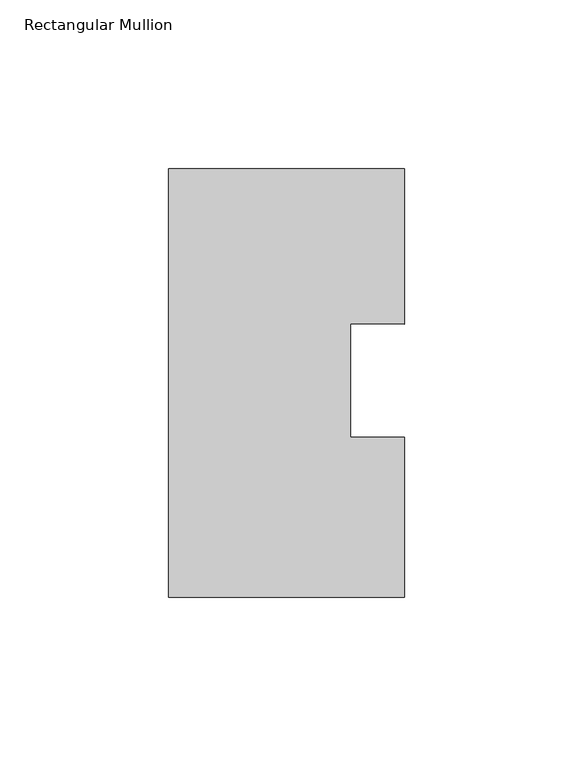
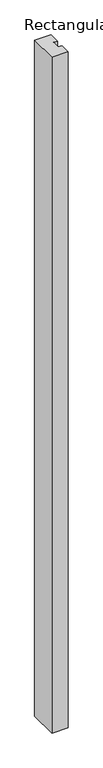
"""IFC4 building model written with IfcOpenShell, lengths in millimetres: member geometry, Rectangular Mullion."""

import ifcopenshell
import ifcopenshell.guid

model = None  # the IFC model being written
_history = None  # IfcOwnerHistory: only IFC2X3 demands one
_inside = {}  # id of a spatial element -> (the spatial element, [elements in it])
_under = {}  # id of a project, library or spatial element -> (it, [spatial elements below it])
_declared = {}  # id of a project -> (the project, [libraries it declares])
_typed = {}  # id of a type object -> (the type object, [elements of that type])
_made_of = {}  # id of a material, layer set ... -> (it, [elements and type objects made of it])


def new_model(schema):
    """Start an empty IFC model of exactly this schema.

    Asked for "IFC4X3", IfcOpenShell would pick the latest addendum, in which some entities
    have other attributes; the version numbers below select the first issue.
    IFC2X3 requires an IfcOwnerHistory on every rooted entity: one is made here for all.
    """
    global model, _history
    if schema == "IFC4X3":
        model = ifcopenshell.file(schema_version=(4, 3, 0, 0))
    else:
        model = ifcopenshell.file(schema=schema)
    _inside.clear()
    _under.clear()
    _declared.clear()
    _typed.clear()
    _made_of.clear()
    _history = None
    if model.schema == "IFC2X3":
        org = make("IfcOrganization", Name="unknown")
        user = make(
            "IfcPersonAndOrganization",
            ThePerson=make("IfcPerson", FamilyName="unknown"),
            TheOrganization=org,
        )
        app = make(
            "IfcApplication",
            ApplicationDeveloper=org,
            Version="unknown",
            ApplicationFullName="unknown",
            ApplicationIdentifier="unknown",
        )
        _history = make(
            "IfcOwnerHistory",
            OwningUser=user,
            OwningApplication=app,
            ChangeAction="ADDED",
            CreationDate=0,
        )
    return model


def make(cls, **values):
    """One entity of the class cls with the attributes given. An attribute that is None is left unset."""
    return model.create_entity(
        cls, **{name: value for name, value in values.items() if value is not None}
    )


def rooted(cls, **values):
    """An entity with a GlobalId (a new one), such as an element, a storey or a relation."""
    return make(cls, GlobalId=ifcopenshell.guid.new(), OwnerHistory=_history, **values)


def si_unit(unit_type, name, prefix=None):
    """IfcSIUnit, for example si_unit("LENGTHUNIT", "METRE", prefix="MILLI")."""
    return make("IfcSIUnit", UnitType=unit_type, Prefix=prefix, Name=name)


def assignment(units):
    """IfcUnitAssignment: the units of a project."""
    return None if units is None else make("IfcUnitAssignment", Units=units)


def point(xyz):
    """IfcCartesianPoint."""
    return None if xyz is None else make("IfcCartesianPoint", Coordinates=xyz)


def direction(xyz):
    """IfcDirection."""
    return None if xyz is None else make("IfcDirection", DirectionRatios=xyz)


def frame(location, z_axis=None, x_axis=None):
    """IfcAxis2Placement3D, a coordinate frame: its origin and axes. An axis left out is left unset."""
    return make(
        "IfcAxis2Placement3D",
        Location=point(location),
        Axis=direction(z_axis),
        RefDirection=direction(x_axis),
    )


def origin():
    """The frame at (0, 0, 0) with its axes left unset."""
    return frame((0.0, 0.0, 0.0))


def place(relative_to, where):
    """IfcLocalPlacement: puts the frame where relative to a parent placement (None: the world)."""
    return make(
        "IfcLocalPlacement", PlacementRelTo=relative_to, RelativePlacement=where
    )


def context(
    kind, dimensions, precision=None, world=None, true_north=None, identifier=None
):
    """IfcGeometricRepresentationContext, for example the 3D "Model" context."""
    return make(
        "IfcGeometricRepresentationContext",
        ContextIdentifier=identifier,
        ContextType=kind,
        CoordinateSpaceDimension=dimensions,
        Precision=precision,
        WorldCoordinateSystem=world,
        TrueNorth=true_north,
    )


def project(units=None, contexts=None):
    """IfcProject with its units and contexts."""
    return rooted(
        "IfcProject",
        Name="project",
        RepresentationContexts=contexts,
        UnitsInContext=assignment(units),
    )


def spatial(cls, under=None, at=None, **own):
    """A site, building, storey or space (cls), placed at a placement, below another one or the project."""
    s = rooted(cls, ObjectPlacement=at, **own)
    if under is not None:
        _under.setdefault(under.id(), (under, []))[1].append(s)
    return s


def polyline(points):
    """IfcPolyline through the points."""
    return make("IfcPolyline", Points=[point(p) for p in points])


def outline(outer, holes=None, kind="AREA"):
    """IfcArbitraryClosedProfileDef: a profile drawn as a closed curve; with holes, ...WithVoids."""
    if holes is None:
        return make("IfcArbitraryClosedProfileDef", ProfileType=kind, OuterCurve=outer)
    return make(
        "IfcArbitraryProfileDefWithVoids",
        ProfileType=kind,
        OuterCurve=outer,
        InnerCurves=holes,
    )


def extrude(swept, where, along, depth):
    """IfcExtrudedAreaSolid: the profile swept, set in the frame where, extruded along a direction by depth."""
    return make(
        "IfcExtrudedAreaSolid",
        SweptArea=swept,
        Position=where,
        ExtrudedDirection=direction(along),
        Depth=depth,
    )


def shape(context_of_items, identifier, shape_type, items):
    """IfcShapeRepresentation: the items that make up one representation, for example the "Body"."""
    return make(
        "IfcShapeRepresentation",
        ContextOfItems=context_of_items,
        RepresentationIdentifier=identifier,
        RepresentationType=shape_type,
        Items=items,
    )


def source(mapping_origin, context_of_items, identifier, shape_type, items):
    """IfcRepresentationMap: a shape defined once, which mapped items show again and again."""
    return make(
        "IfcRepresentationMap",
        MappingOrigin=mapping_origin,
        MappedRepresentation=shape(context_of_items, identifier, shape_type, items),
    )


def transform(
    local_origin,
    x_axis=None,
    y_axis=None,
    z_axis=None,
    scale=None,
    scale2=None,
    scale3=None,
    uniform=True,
):
    """IfcCartesianTransformationOperator3D, or its non-uniform kind. x_axis, y_axis, z_axis: its Axis1, 2, 3."""
    if uniform:
        return make(
            "IfcCartesianTransformationOperator3D",
            Axis1=direction(x_axis),
            Axis2=direction(y_axis),
            LocalOrigin=point(local_origin),
            Scale=scale,
            Axis3=direction(z_axis),
        )
    return make(
        "IfcCartesianTransformationOperator3DnonUniform",
        Axis1=direction(x_axis),
        Axis2=direction(y_axis),
        LocalOrigin=point(local_origin),
        Scale=scale,
        Axis3=direction(z_axis),
        Scale2=scale2,
        Scale3=scale3,
    )


def mapped(mapping_source, mapping_target):
    """IfcMappedItem: shows the shape of a source again, moved by a transform."""
    return make(
        "IfcMappedItem", MappingSource=mapping_source, MappingTarget=mapping_target
    )


def made_of(thing, what):
    """Note that an element or type object is made of a material, layer set ...; save() writes the relation."""
    if what is not None:
        _made_of.setdefault(what.id(), (what, []))[1].append(thing)
    return thing


def element(
    cls,
    number,
    at=None,
    inside=None,
    cuts=None,
    type_object=None,
    material=None,
    context=None,
    identifier="Body",
    shape_type=None,
    held_by="IfcProductDefinitionShape",
    body=None,
    shapes=None,
    **own,
):
    """One element of the class cls, such as IfcWall. Its Tag is "e" and its number.

    at: its placement. inside: the storey or other place that contains it. cuts: it is an
    opening in that element (IfcRelVoidsElement). A single representation is given by context,
    identifier, shape_type and body (its items); several are given by shapes. held_by: the class
    of the entity that holds the representations. save() writes the other relations.
    """
    e = rooted(cls, Tag="e%d" % number, ObjectPlacement=at, **own)
    if body is not None:
        shapes = [shape(context, identifier, shape_type, body)]
    if shapes is not None:
        e.Representation = make(held_by, Representations=shapes)
    if inside is not None:
        _inside.setdefault(inside.id(), (inside, []))[1].append(e)
    if cuts is not None:
        rooted(
            "IfcRelVoidsElement", RelatingBuildingElement=cuts, RelatedOpeningElement=e
        )
    if type_object is not None:
        _typed.setdefault(type_object.id(), (type_object, []))[1].append(e)
    return made_of(e, material)


def aggregate(whole, parts):
    """IfcRelAggregates: a whole, such as a stair, and the parts it consists of."""
    return rooted("IfcRelAggregates", RelatingObject=whole, RelatedObjects=parts)


def save(model, path):
    """Write the relations noted so far, then the file.

    IfcRelAggregates (storeys below a building ...), IfcRelContainedInSpatialStructure (elements
    in a storey), IfcRelDefinesByType, IfcRelAssociatesMaterial and IfcRelDeclares: one each for
    every whole, place, type object, material and project.
    """
    for whole, parts in _under.values():
        aggregate(whole, parts)
    for where, things in _inside.values():
        rooted(
            "IfcRelContainedInSpatialStructure",
            RelatedElements=things,
            RelatingStructure=where,
        )
    for kind, things in _typed.values():
        rooted("IfcRelDefinesByType", RelatedObjects=things, RelatingType=kind)
    for what, things in _made_of.values():
        rooted("IfcRelAssociatesMaterial", RelatedObjects=things, RelatingMaterial=what)
    for by, libraries in _declared.values():
        rooted("IfcRelDeclares", RelatingContext=by, RelatedDefinitions=libraries)
    model.write(path)


def rectangular_mullion_c4fa6392(model_context):
    return source(origin(), model_context, "Body", "SweptSolid", [
        extrude(outline(polyline([(-69.85, 63.5), (0.0, 63.5), (0.0, 17.3906629), (-15.875, 17.5847121), (-15.875, -16.0406112), (0.0, -16.0406112), (0.0, -63.5), (-69.85, -63.5), (-69.85, 63.5)])), frame((0.0, 0.0, -3048.0), z_axis=(0.0, 0.0, 1.0), x_axis=(1.0, 0.0, 0.0)), (0.0, 0.0, 1.0), 3048.0),
    ])


if __name__ == "__main__":
    model = new_model("IFC4")
    model_context = context("Model", 3, world=origin())
    ifc_project = project(units=[si_unit("LENGTHUNIT", "METRE", prefix="MILLI")], contexts=[model_context])
    site = spatial("IfcSite", under=ifc_project)
    building = spatial("IfcBuilding", under=site)
    placement = place(None, origin())
    rectangular_mullion_shape = rectangular_mullion_c4fa6392(model_context)
    element("IfcMember", 1, ObjectType="Rectangular Mullion", at=placement, inside=building, context=model_context, shape_type="MappedRepresentation", body=[
        mapped(rectangular_mullion_shape, transform((0.0, 0.0, 0.0), x_axis=(1.0, 0.0, 0.0), y_axis=(0.0, 1.0, 0.0), z_axis=(0.0, 0.0, 1.0))),
    ])
    save(model, "model.ifc")
